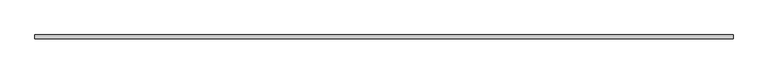
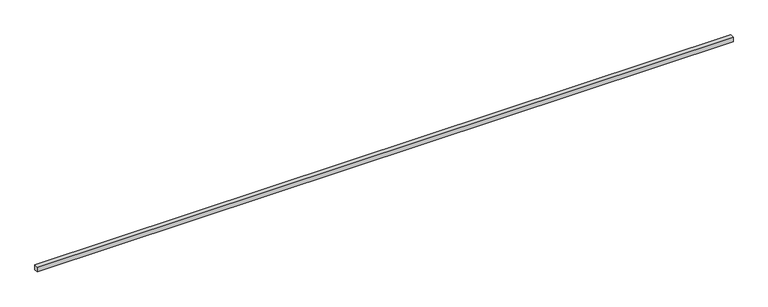
"""IFC4 building model written with IfcOpenShell, lengths in millimetres: proxy geometry."""

from ifc_helpers import new_model, si_unit, origin, origin_with_axes, place, context, project, spatial, polyline, outline, extrude, source, transform, mapped, element, save


def generic_models_861a5f68(model_context):
    return source(origin(), model_context, "Body", "SweptSolid", [
        extrude(outline(polyline([(14080.0, -40.0), (0.0, -40.0), (0.0, 40.0), (14080.0, 40.0), (14080.0, -40.0)])), origin_with_axes(), (0.0, 0.0, 1.0), 100.0),
    ])


if __name__ == "__main__":
    model = new_model("IFC4")
    model_context = context("Model", 3, world=origin())
    ifc_project = project(units=[si_unit("LENGTHUNIT", "METRE", prefix="MILLI")], contexts=[model_context])
    site = spatial("IfcSite", under=ifc_project)
    building = spatial("IfcBuilding", under=site)
    placement = place(None, origin())
    generic_models_shape = generic_models_861a5f68(model_context)
    element("IfcBuildingElementProxy", 1, Name="Generic Models", at=placement, inside=building, context=model_context, shape_type="MappedRepresentation", body=[
        mapped(generic_models_shape, transform((0.0, 0.0, 0.0), x_axis=(1.0, 0.0, 0.0), y_axis=(0.0, 1.0, 0.0), z_axis=(0.0, 0.0, 1.0))),
    ])
    save(model, "model.ifc")
